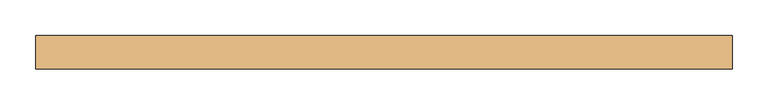
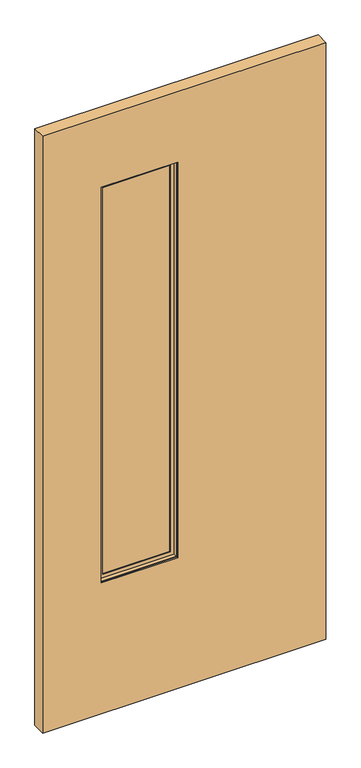
"""IFC4 building model written with IfcOpenShell, lengths in millimetres: door geometry."""

from ifc_helpers import new_model, si_unit, frame, origin, place, context, project, spatial, polyline, outline, extrude, faceted_brep, source, transform, mapped, element, save


def door_3318b183(model_context):
    return source(origin(), model_context, "Body", "SolidModel", [
        extrude(outline(polyline([(-23.0964326, -3.175), (-284.7164326, -3.175), (-284.7164326, 3.175), (-23.0964326, 3.175), (-23.0964326, -3.175)])), frame((0.0, 0.0, 486.1435027), z_axis=(0.0, 0.0, 1.0), x_axis=(1.0, 0.0, 0.0)), (0.0, 0.0, 1.0), 1430.02),
        faceted_brep([(-268.8258536, 3.797467, 1900.2729238), (-268.8258536, 3.797467, 502.0340817), (-268.8258536, 6.9755828, 502.0340817), (-268.8258536, 6.9755828, 1900.2729238), (-38.9870115, 3.797467, 502.0340817), (-38.9870115, 6.9755828, 502.0340817), (-26.2745484, 6.9755828, 489.3216185), (-281.5383168, 6.9755828, 489.3216185), (-281.5383168, 6.9755828, 1912.9853869), (-26.2745484, 6.9755828, 1912.9853869), (-38.9870115, 6.9755828, 1900.2729238), (-38.9870115, 3.797467, 1900.2729238), (-284.7164326, 3.797467, 486.1435027), (-23.0964326, 3.797467, 486.1435027), (-23.0964326, 3.797467, 1916.1635027), (-284.7164326, 3.797467, 1916.1635027), (-284.7164326, 19.688046, 1916.1635027), (-284.7164326, 19.688046, 486.1435027), (-23.0964326, 19.688046, 486.1435027), (-23.0964326, 19.688046, 1916.1635027), (-281.5383168, 19.688046, 489.3216185), (-26.2745484, 19.688046, 489.3216185), (-26.2745484, 19.688046, 1912.9853869), (-281.5383168, 19.688046, 1912.9853869)], [[[0, 1, 2, 3]], [[1, 4, 5, 2]], [[6, 7, 8, 9], [2, 5, 10, 3]], [[4, 11, 10, 5]], [[12, 13, 14, 15], [4, 1, 0, 11]], [[16, 17, 12, 15]], [[17, 18, 13, 12]], [[18, 19, 14, 13]], [[18, 17, 16, 19], [20, 21, 22, 23]], [[8, 7, 20, 23]], [[7, 6, 21, 20]], [[6, 9, 22, 21]], [[11, 0, 3, 10]], [[19, 16, 15, 14]], [[9, 8, 23, 22]]]),
        faceted_brep([(-281.5383168, -19.688046, 1912.9853869), (-281.5383168, -19.688046, 489.3216185), (-281.5383168, -6.9755828, 489.3216185), (-281.5383168, -6.9755828, 1912.9853869), (-26.2745484, -19.688046, 489.3216185), (-26.2745484, -6.9755828, 489.3216185), (-26.2745484, -6.9755828, 1912.9853869), (-38.9870115, -6.9755828, 502.0340817), (-268.8258536, -6.9755828, 502.0340817), (-268.8258536, -6.9755828, 1900.2729238), (-38.9870115, -6.9755828, 1900.2729238), (-26.2745484, -19.688046, 1912.9853869), (-284.7164326, -19.688046, 486.1435027), (-23.0964326, -19.688046, 486.1435027), (-23.0964326, -19.688046, 1916.1635027), (-284.7164326, -19.688046, 1916.1635027), (-284.7164326, -3.797467, 1916.1635027), (-284.7164326, -3.797467, 486.1435027), (-23.0964326, -3.797467, 486.1435027), (-23.0964326, -3.797467, 1916.1635027), (-268.8258536, -3.797467, 502.0340817), (-38.9870115, -3.797467, 502.0340817), (-38.9870115, -3.797467, 1900.2729238), (-268.8258536, -3.797467, 1900.2729238)], [[[0, 1, 2, 3]], [[1, 4, 5, 2]], [[2, 5, 6, 3], [7, 8, 9, 10]], [[4, 11, 6, 5]], [[12, 13, 14, 15], [4, 1, 0, 11]], [[16, 17, 12, 15]], [[17, 18, 13, 12]], [[18, 19, 14, 13]], [[18, 17, 16, 19], [20, 21, 22, 23]], [[9, 8, 20, 23]], [[8, 7, 21, 20]], [[7, 10, 22, 21]], [[11, 0, 3, 6]], [[19, 16, 15, 14]], [[10, 9, 23, 22]]]),
        extrude(outline(polyline([(2170.1635027, -484.1064326), (12.7, -484.1064326), (12.7, 484.1064326), (2170.1635027, 484.1064326), (2170.1635027, -484.1064326)]), holes=[polyline([(1916.1635027, -23.0964326), (486.1435027, -23.0964326), (486.1435027, -284.7164326), (1916.1635027, -284.7164326), (1916.1635027, -23.0964326)])]), frame((0.0, -23.114, 0.0), z_axis=(0.0, 1.0, 0.0), x_axis=(0.0, 0.0, 1.0)), (0.0, 0.0, 1.0), 46.228),
        extrude(outline(polyline([(458.7064326, 9.8925062), (-458.7064326, 9.8925062), (-458.7064326, 11.4927062), (458.7064326, 11.4927062), (458.7064326, 9.8925062)])), frame((0.0, 0.0, 12.7), z_axis=(0.0, 0.0, 1.0), x_axis=(1.0, 0.0, 0.0)), (0.0, 0.0, 1.0), 254.0),
        extrude(outline(polyline([(458.7064326, 21.5634094), (-458.7064326, 21.5634094), (-458.7064326, 23.114), (458.7064326, 23.114), (458.7064326, 21.5634094)])), frame((0.0, 0.0, 12.7), z_axis=(0.0, 0.0, 1.0), x_axis=(1.0, 0.0, 0.0)), (0.0, 0.0, 1.0), 254.0),
    ])


if __name__ == "__main__":
    model = new_model("IFC4")
    model_context = context("Model", 3, world=origin())
    ifc_project = project(units=[si_unit("LENGTHUNIT", "METRE", prefix="MILLI")], contexts=[model_context])
    site = spatial("IfcSite", under=ifc_project)
    building = spatial("IfcBuilding", under=site)
    placement = place(None, origin())
    door_shape = door_3318b183(model_context)
    element("IfcDoor", 1, at=placement, inside=building, context=model_context, shape_type="MappedRepresentation", body=[
        mapped(door_shape, transform((0.0, 0.0, 0.0), x_axis=(1.0, 0.0, 0.0), y_axis=(0.0, 1.0, 0.0), z_axis=(0.0, 0.0, 1.0))),
    ])
    save(model, "model.ifc")
